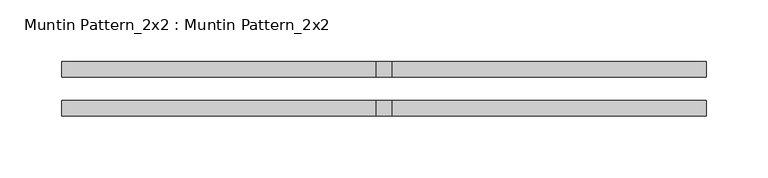
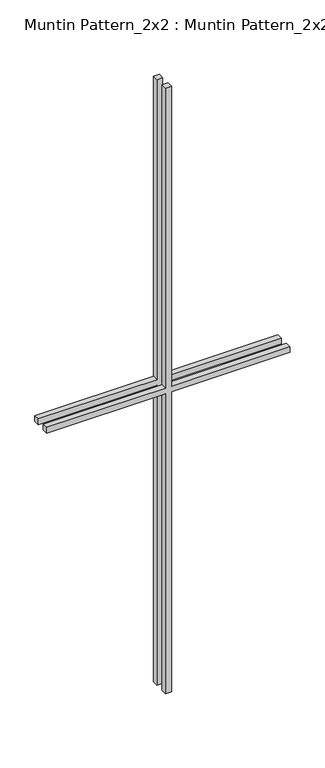
"""IFC4 building model written with IfcOpenShell, lengths in millimetres: proxy geometry, Muntin Pattern_2x2 : Muntin Pattern_2x2."""

from ifc_helpers import new_model, si_unit, frame, origin, place, context, project, spatial, polyline, outline, extrude, source, transform, mapped, element, save


def muntin_pattern_2x2_muntin_pattern_2x2_e5aec340(model_context):
    return source(origin(), model_context, "Body", "SweptSolid", [
        extrude(outline(polyline([(695.325, -6.35), (695.325, -261.9375), (682.625, -261.9375), (682.625, -6.35), (0.0, -6.35), (0.0, 6.35), (682.625, 6.35), (682.625, 261.9375), (695.325, 261.9375), (695.325, 6.35), (1377.95, 6.35), (1377.95, -6.35), (695.325, -6.35)])), frame((0.0, 9.525, 0.0), z_axis=(0.0, 1.0, 0.0), x_axis=(0.0, 0.0, 1.0)), (0.0, 0.0, 1.0), 12.7),
        extrude(outline(polyline([(695.325, -6.35), (695.325, -261.9375), (682.625, -261.9375), (682.625, -6.35), (0.0, -6.35), (0.0, 6.35), (682.625, 6.35), (682.625, 261.9375), (695.325, 261.9375), (695.325, 6.35), (1377.95, 6.35), (1377.95, -6.35), (695.325, -6.35)])), frame((0.0, -22.225, 0.0), z_axis=(0.0, 1.0, 0.0), x_axis=(0.0, 0.0, 1.0)), (0.0, 0.0, 1.0), 12.7),
    ])


if __name__ == "__main__":
    model = new_model("IFC4")
    model_context = context("Model", 3, world=origin())
    ifc_project = project(units=[si_unit("LENGTHUNIT", "METRE", prefix="MILLI")], contexts=[model_context])
    site = spatial("IfcSite", under=ifc_project)
    building = spatial("IfcBuilding", under=site)
    placement = place(None, origin())
    muntin_pattern_2x2_muntin_pattern_2x2_shape = muntin_pattern_2x2_muntin_pattern_2x2_e5aec340(model_context)
    element("IfcBuildingElementProxy", 1, Name="Muntin Pattern_2x2 : Muntin Pattern_2x2", ObjectType="Muntin Pattern_2x2 : Muntin Pattern_2x2", at=placement, inside=building, context=model_context, shape_type="MappedRepresentation", body=[
        mapped(muntin_pattern_2x2_muntin_pattern_2x2_shape, transform((0.0, 0.0, 0.0), x_axis=(1.0, 0.0, 0.0), y_axis=(0.0, 1.0, 0.0), z_axis=(0.0, 0.0, 1.0))),
    ])
    save(model, "model.ifc")
